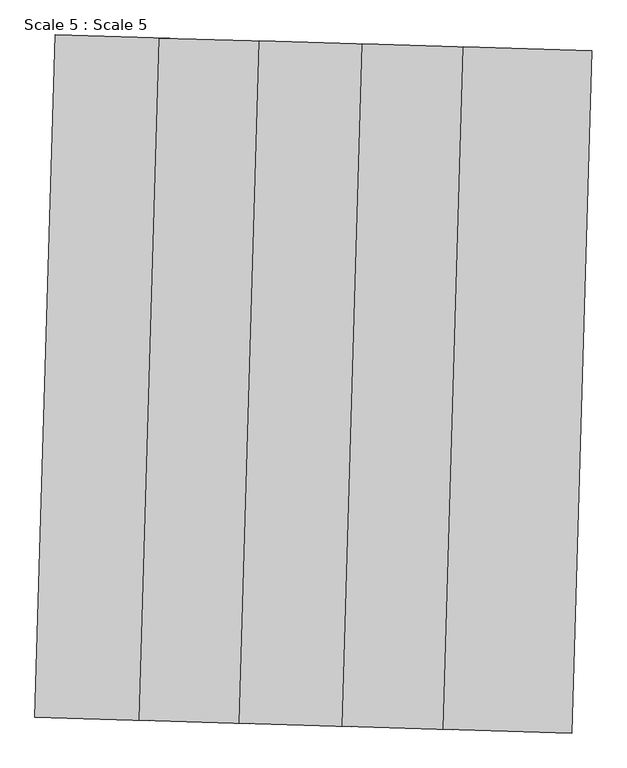
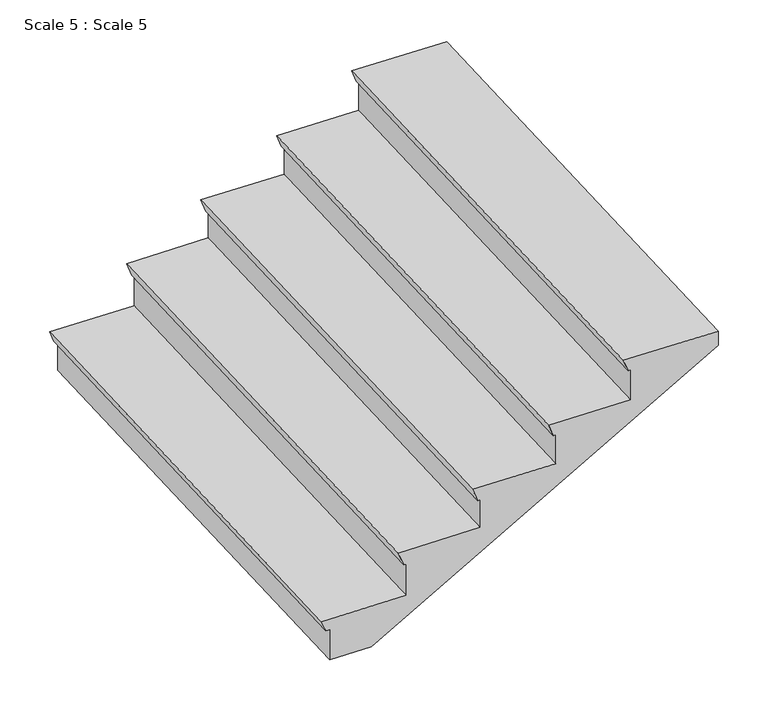
"""IFC4 building model written with IfcOpenShell, lengths in millimetres: stair geometry, Scale 5 : Scale 5."""

from ifc_helpers import new_model, si_unit, frame, origin, place, context, project, spatial, polyline, outline, extrude, source, transform, mapped, element, save


def scale_5_scale_5_d401887e(model_context):
    return source(origin(), model_context, "Body", "SweptSolid", [
        extrude(outline(polyline([(339.9999999, 0.0), (322.8989927, -46.984631), (312.8989928, -46.984631), (312.8989928, -166.984631), (617.8989928, -166.984631), (600.7979856, -213.9692621), (590.7979856, -213.9692621), (590.7979856, -328.9692621), (900.7979856, -328.9692621), (881.9868778, -380.6523562), (871.9868777, -380.6523562), (871.9868777, -490.6523562), (1176.0814903, -493.5741626), (1157.2703824, -545.2572568), (1147.2703824, -545.2572568), (1147.2703824, -670.2572568), (1462.2703824, -670.2572568), (1446.8794759, -712.5434247), (1431.879476, -712.5434247), (1431.879476, -832.5434247), (1276.8794759, -832.5434247), (-13.1573116, -57.411122), (-13.1573116, 0.0), (339.9999999, 0.0)])), frame((-55157.3857715, 114114.8915696, 2220.0), z_axis=(0.029472392562844472, 0.9995655946843217, 0.0), x_axis=(-0.9995655946843217, 0.029472392562844472, 0.0)), (0.0, 0.0, 1.0), 1875.8643789),
    ])


if __name__ == "__main__":
    model = new_model("IFC4")
    model_context = context("Model", 3, world=origin())
    ifc_project = project(units=[si_unit("LENGTHUNIT", "METRE", prefix="MILLI")], contexts=[model_context])
    site = spatial("IfcSite", under=ifc_project)
    building = spatial("IfcBuilding", under=site)
    placement = place(None, origin())
    scale_5_scale_5_shape = scale_5_scale_5_d401887e(model_context)
    element("IfcStair", 1, ObjectType="Scale 5 : Scale 5", at=placement, inside=building, context=model_context, shape_type="MappedRepresentation", body=[
        mapped(scale_5_scale_5_shape, transform((0.0, 0.0, 0.0), x_axis=(1.0, 0.0, 0.0), y_axis=(0.0, 1.0, 0.0), z_axis=(0.0, 0.0, 1.0))),
    ])
    save(model, "model.ifc")
